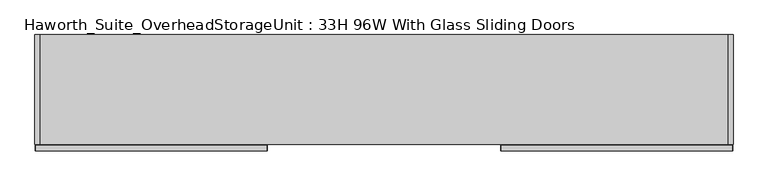
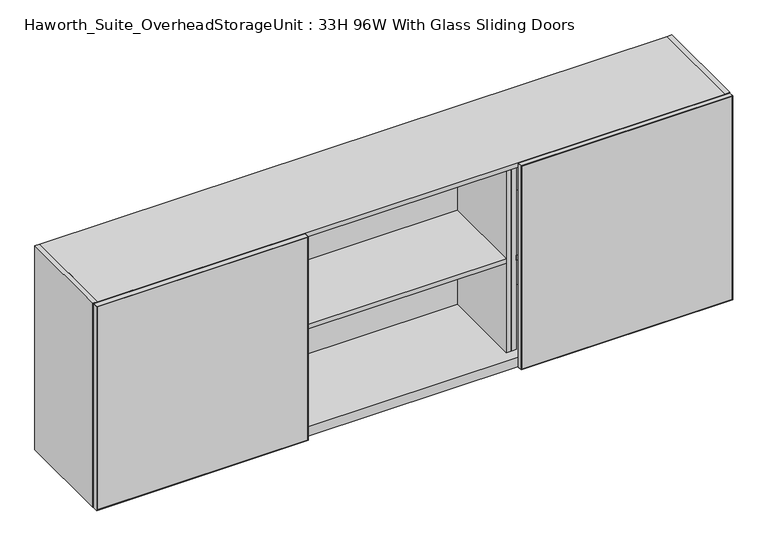
"""IFC4 building model written with IfcOpenShell, lengths in millimetres: furniture geometry, Haworth_Suite_OverheadStorageUnit : 33H 96W With Glass Sliding Doors."""

import ifcopenshell
import ifcopenshell.guid

model = None  # the IFC model being written
_history = None  # IfcOwnerHistory: only IFC2X3 demands one
_inside = {}  # id of a spatial element -> (the spatial element, [elements in it])
_under = {}  # id of a project, library or spatial element -> (it, [spatial elements below it])
_declared = {}  # id of a project -> (the project, [libraries it declares])
_typed = {}  # id of a type object -> (the type object, [elements of that type])
_made_of = {}  # id of a material, layer set ... -> (it, [elements and type objects made of it])


def new_model(schema):
    """Start an empty IFC model of exactly this schema.

    Asked for "IFC4X3", IfcOpenShell would pick the latest addendum, in which some entities
    have other attributes; the version numbers below select the first issue.
    IFC2X3 requires an IfcOwnerHistory on every rooted entity: one is made here for all.
    """
    global model, _history
    if schema == "IFC4X3":
        model = ifcopenshell.file(schema_version=(4, 3, 0, 0))
    else:
        model = ifcopenshell.file(schema=schema)
    _inside.clear()
    _under.clear()
    _declared.clear()
    _typed.clear()
    _made_of.clear()
    _history = None
    if model.schema == "IFC2X3":
        org = make("IfcOrganization", Name="unknown")
        user = make(
            "IfcPersonAndOrganization",
            ThePerson=make("IfcPerson", FamilyName="unknown"),
            TheOrganization=org,
        )
        app = make(
            "IfcApplication",
            ApplicationDeveloper=org,
            Version="unknown",
            ApplicationFullName="unknown",
            ApplicationIdentifier="unknown",
        )
        _history = make(
            "IfcOwnerHistory",
            OwningUser=user,
            OwningApplication=app,
            ChangeAction="ADDED",
            CreationDate=0,
        )
    return model


def make(cls, **values):
    """One entity of the class cls with the attributes given. An attribute that is None is left unset."""
    return model.create_entity(
        cls, **{name: value for name, value in values.items() if value is not None}
    )


def rooted(cls, **values):
    """An entity with a GlobalId (a new one), such as an element, a storey or a relation."""
    return make(cls, GlobalId=ifcopenshell.guid.new(), OwnerHistory=_history, **values)


def si_unit(unit_type, name, prefix=None):
    """IfcSIUnit, for example si_unit("LENGTHUNIT", "METRE", prefix="MILLI")."""
    return make("IfcSIUnit", UnitType=unit_type, Prefix=prefix, Name=name)


def assignment(units):
    """IfcUnitAssignment: the units of a project."""
    return None if units is None else make("IfcUnitAssignment", Units=units)


def point(xyz):
    """IfcCartesianPoint."""
    return None if xyz is None else make("IfcCartesianPoint", Coordinates=xyz)


def direction(xyz):
    """IfcDirection."""
    return None if xyz is None else make("IfcDirection", DirectionRatios=xyz)


def frame(location, z_axis=None, x_axis=None):
    """IfcAxis2Placement3D, a coordinate frame: its origin and axes. An axis left out is left unset."""
    return make(
        "IfcAxis2Placement3D",
        Location=point(location),
        Axis=direction(z_axis),
        RefDirection=direction(x_axis),
    )


def origin():
    """The frame at (0, 0, 0) with its axes left unset."""
    return frame((0.0, 0.0, 0.0))


def place(relative_to, where):
    """IfcLocalPlacement: puts the frame where relative to a parent placement (None: the world)."""
    return make(
        "IfcLocalPlacement", PlacementRelTo=relative_to, RelativePlacement=where
    )


def context(
    kind, dimensions, precision=None, world=None, true_north=None, identifier=None
):
    """IfcGeometricRepresentationContext, for example the 3D "Model" context."""
    return make(
        "IfcGeometricRepresentationContext",
        ContextIdentifier=identifier,
        ContextType=kind,
        CoordinateSpaceDimension=dimensions,
        Precision=precision,
        WorldCoordinateSystem=world,
        TrueNorth=true_north,
    )


def project(units=None, contexts=None):
    """IfcProject with its units and contexts."""
    return rooted(
        "IfcProject",
        Name="project",
        RepresentationContexts=contexts,
        UnitsInContext=assignment(units),
    )


def spatial(cls, under=None, at=None, **own):
    """A site, building, storey or space (cls), placed at a placement, below another one or the project."""
    s = rooted(cls, ObjectPlacement=at, **own)
    if under is not None:
        _under.setdefault(under.id(), (under, []))[1].append(s)
    return s


def polyline(points):
    """IfcPolyline through the points."""
    return make("IfcPolyline", Points=[point(p) for p in points])


def outline(outer, holes=None, kind="AREA"):
    """IfcArbitraryClosedProfileDef: a profile drawn as a closed curve; with holes, ...WithVoids."""
    if holes is None:
        return make("IfcArbitraryClosedProfileDef", ProfileType=kind, OuterCurve=outer)
    return make(
        "IfcArbitraryProfileDefWithVoids",
        ProfileType=kind,
        OuterCurve=outer,
        InnerCurves=holes,
    )


def extrude(swept, where, along, depth):
    """IfcExtrudedAreaSolid: the profile swept, set in the frame where, extruded along a direction by depth."""
    return make(
        "IfcExtrudedAreaSolid",
        SweptArea=swept,
        Position=where,
        ExtrudedDirection=direction(along),
        Depth=depth,
    )


def shape(context_of_items, identifier, shape_type, items):
    """IfcShapeRepresentation: the items that make up one representation, for example the "Body"."""
    return make(
        "IfcShapeRepresentation",
        ContextOfItems=context_of_items,
        RepresentationIdentifier=identifier,
        RepresentationType=shape_type,
        Items=items,
    )


def source(mapping_origin, context_of_items, identifier, shape_type, items):
    """IfcRepresentationMap: a shape defined once, which mapped items show again and again."""
    return make(
        "IfcRepresentationMap",
        MappingOrigin=mapping_origin,
        MappedRepresentation=shape(context_of_items, identifier, shape_type, items),
    )


def transform(
    local_origin,
    x_axis=None,
    y_axis=None,
    z_axis=None,
    scale=None,
    scale2=None,
    scale3=None,
    uniform=True,
):
    """IfcCartesianTransformationOperator3D, or its non-uniform kind. x_axis, y_axis, z_axis: its Axis1, 2, 3."""
    if uniform:
        return make(
            "IfcCartesianTransformationOperator3D",
            Axis1=direction(x_axis),
            Axis2=direction(y_axis),
            LocalOrigin=point(local_origin),
            Scale=scale,
            Axis3=direction(z_axis),
        )
    return make(
        "IfcCartesianTransformationOperator3DnonUniform",
        Axis1=direction(x_axis),
        Axis2=direction(y_axis),
        LocalOrigin=point(local_origin),
        Scale=scale,
        Axis3=direction(z_axis),
        Scale2=scale2,
        Scale3=scale3,
    )


def mapped(mapping_source, mapping_target):
    """IfcMappedItem: shows the shape of a source again, moved by a transform."""
    return make(
        "IfcMappedItem", MappingSource=mapping_source, MappingTarget=mapping_target
    )


def made_of(thing, what):
    """Note that an element or type object is made of a material, layer set ...; save() writes the relation."""
    if what is not None:
        _made_of.setdefault(what.id(), (what, []))[1].append(thing)
    return thing


def element(
    cls,
    number,
    at=None,
    inside=None,
    cuts=None,
    type_object=None,
    material=None,
    context=None,
    identifier="Body",
    shape_type=None,
    held_by="IfcProductDefinitionShape",
    body=None,
    shapes=None,
    **own,
):
    """One element of the class cls, such as IfcWall. Its Tag is "e" and its number.

    at: its placement. inside: the storey or other place that contains it. cuts: it is an
    opening in that element (IfcRelVoidsElement). A single representation is given by context,
    identifier, shape_type and body (its items); several are given by shapes. held_by: the class
    of the entity that holds the representations. save() writes the other relations.
    """
    e = rooted(cls, Tag="e%d" % number, ObjectPlacement=at, **own)
    if body is not None:
        shapes = [shape(context, identifier, shape_type, body)]
    if shapes is not None:
        e.Representation = make(held_by, Representations=shapes)
    if inside is not None:
        _inside.setdefault(inside.id(), (inside, []))[1].append(e)
    if cuts is not None:
        rooted(
            "IfcRelVoidsElement", RelatingBuildingElement=cuts, RelatedOpeningElement=e
        )
    if type_object is not None:
        _typed.setdefault(type_object.id(), (type_object, []))[1].append(e)
    return made_of(e, material)


def aggregate(whole, parts):
    """IfcRelAggregates: a whole, such as a stair, and the parts it consists of."""
    return rooted("IfcRelAggregates", RelatingObject=whole, RelatedObjects=parts)


def save(model, path):
    """Write the relations noted so far, then the file.

    IfcRelAggregates (storeys below a building ...), IfcRelContainedInSpatialStructure (elements
    in a storey), IfcRelDefinesByType, IfcRelAssociatesMaterial and IfcRelDeclares: one each for
    every whole, place, type object, material and project.
    """
    for whole, parts in _under.values():
        aggregate(whole, parts)
    for where, things in _inside.values():
        rooted(
            "IfcRelContainedInSpatialStructure",
            RelatedElements=things,
            RelatingStructure=where,
        )
    for kind, things in _typed.values():
        rooted("IfcRelDefinesByType", RelatedObjects=things, RelatingType=kind)
    for what, things in _made_of.values():
        rooted("IfcRelAssociatesMaterial", RelatedObjects=things, RelatingMaterial=what)
    for by, libraries in _declared.values():
        rooted("IfcRelDeclares", RelatingContext=by, RelatedDefinitions=libraries)
    model.write(path)


def haworth_suite_overheadstorageunit_33h_96w_with_glass_sliding_a89728b1(model_context):
    return source(origin(), model_context, "Body", "SweptSolid", [
        extrude(outline(polyline([(2057.4, 395.2875), (1231.9, 395.2875), (1233.4875, 396.875), (2055.8125, 396.875), (2057.4, 395.2875)])), frame((0.0, -419.1, 0.0), z_axis=(0.0, 1.0, 0.0), x_axis=(0.0, 0.0, 1.0)), (0.0, 0.0, 1.0), 19.05),
        extrude(outline(polyline([(2057.4, 1204.9125), (2055.8125, 1203.325), (1233.4875, 1203.325), (1231.9, 1204.9125), (2057.4, 1204.9125)])), frame((0.0, -419.1, 0.0), z_axis=(0.0, 1.0, 0.0), x_axis=(0.0, 0.0, 1.0)), (0.0, 0.0, 1.0), 19.05),
        extrude(outline(polyline([(2055.8125, 396.875), (2055.8125, 1203.325), (2057.4, 1204.9125), (2057.4, 395.2875), (2055.8125, 396.875)])), frame((0.0, -419.1, 0.0), z_axis=(0.0, 1.0, 0.0), x_axis=(0.0, 0.0, 1.0)), (0.0, 0.0, 1.0), 19.05),
        extrude(outline(polyline([(1233.4875, 396.875), (1231.9, 395.2875), (1231.9, 1204.9125), (1233.4875, 1203.325), (1233.4875, 396.875)])), frame((0.0, -419.1, 0.0), z_axis=(0.0, 1.0, 0.0), x_axis=(0.0, 0.0, 1.0)), (0.0, 0.0, 1.0), 19.05),
        extrude(outline(polyline([(1203.325, -400.84375), (1203.325, -418.30625), (396.875, -418.30625), (396.875, -400.84375), (1203.325, -400.84375)])), frame((0.0, 0.0, 1233.4875), z_axis=(0.0, 0.0, 1.0), x_axis=(1.0, 0.0, 0.0)), (0.0, 0.0, 1.0), 822.325),
        extrude(outline(polyline([(2057.4, -420.6875), (2055.8125, -422.275), (1233.4875, -422.275), (1231.9, -420.6875), (2057.4, -420.6875)])), frame((0.0, -419.1, 0.0), z_axis=(0.0, 1.0, 0.0), x_axis=(0.0, 0.0, 1.0)), (0.0, 0.0, 1.0), 19.05),
        extrude(outline(polyline([(2057.4, -1230.3125), (1231.9, -1230.3125), (1233.4875, -1228.725), (2055.8125, -1228.725), (2057.4, -1230.3125)])), frame((0.0, -419.1, 0.0), z_axis=(0.0, 1.0, 0.0), x_axis=(0.0, 0.0, 1.0)), (0.0, 0.0, 1.0), 19.05),
        extrude(outline(polyline([(2055.8125, -422.275), (2057.4, -420.6875), (2057.4, -1230.3125), (2055.8125, -1228.725), (2055.8125, -422.275)])), frame((0.0, -419.1, 0.0), z_axis=(0.0, 1.0, 0.0), x_axis=(0.0, 0.0, 1.0)), (0.0, 0.0, 1.0), 19.05),
        extrude(outline(polyline([(1233.4875, -422.275), (1233.4875, -1228.725), (1231.9, -1230.3125), (1231.9, -420.6875), (1233.4875, -422.275)])), frame((0.0, -419.1, 0.0), z_axis=(0.0, 1.0, 0.0), x_axis=(0.0, 0.0, 1.0)), (0.0, 0.0, 1.0), 19.05),
        extrude(outline(polyline([(-1228.725, -400.84375), (-422.275, -400.84375), (-422.275, -418.30625), (-1228.725, -418.30625), (-1228.725, -400.84375)])), frame((0.0, 0.0, 1233.4875), z_axis=(0.0, 0.0, 1.0), x_axis=(1.0, 0.0, 0.0)), (0.0, 0.0, 1.0), 822.325),
        extrude(outline(polyline([(-438.15, -31.75), (-438.15, -355.6), (-1212.85, -355.6), (-1212.85, -31.75), (-438.15, -31.75)])), frame((0.0, 0.0, 1631.95), z_axis=(0.0, 0.0, 1.0), x_axis=(1.0, 0.0, 0.0)), (0.0, 0.0, 1.0), 19.05),
        extrude(outline(polyline([(374.65, -31.75), (374.65, -355.6), (-400.05, -355.6), (-400.05, -31.75), (374.65, -31.75)])), frame((0.0, 0.0, 1631.95), z_axis=(0.0, 0.0, 1.0), x_axis=(1.0, 0.0, 0.0)), (0.0, 0.0, 1.0), 19.05),
        extrude(outline(polyline([(1187.45, -31.75), (1187.45, -355.6), (412.75, -355.6), (412.75, -31.75), (1187.45, -31.75)])), frame((0.0, 0.0, 1631.95), z_axis=(0.0, 0.0, 1.0), x_axis=(1.0, 0.0, 0.0)), (0.0, 0.0, 1.0), 19.05),
        extrude(outline(polyline([(412.75, -31.75), (412.75, -355.6), (393.7, -355.6), (393.7, -31.75), (412.75, -31.75)])), frame((0.0, 0.0, 1270.0), z_axis=(0.0, 0.0, 1.0), x_axis=(1.0, 0.0, 0.0)), (0.0, 0.0, 1.0), 768.35),
        extrude(outline(polyline([(393.7, -31.75), (393.7, -355.6), (374.65, -355.6), (374.65, -31.75), (393.7, -31.75)])), frame((0.0, 0.0, 1270.0), z_axis=(0.0, 0.0, 1.0), x_axis=(1.0, 0.0, 0.0)), (0.0, 0.0, 1.0), 768.35),
        extrude(outline(polyline([(-400.05, -31.75), (-400.05, -355.6), (-419.1, -355.6), (-419.1, -31.75), (-400.05, -31.75)])), frame((0.0, 0.0, 1270.0), z_axis=(0.0, 0.0, 1.0), x_axis=(1.0, 0.0, 0.0)), (0.0, 0.0, 1.0), 768.35),
        extrude(outline(polyline([(-419.1, -31.75), (-419.1, -355.6), (-438.15, -355.6), (-438.15, -31.75), (-419.1, -31.75)])), frame((0.0, 0.0, 1270.0), z_axis=(0.0, 0.0, 1.0), x_axis=(1.0, 0.0, 0.0)), (0.0, 0.0, 1.0), 768.35),
        extrude(outline(polyline([(1187.45, -12.7), (1187.45, -396.875), (-1212.85, -396.875), (-1212.85, -12.7), (1187.45, -12.7)])), frame((0.0, 0.0, 2038.35), z_axis=(0.0, 0.0, 1.0), x_axis=(1.0, 0.0, 0.0)), (0.0, 0.0, 1.0), 19.05),
        extrude(outline(polyline([(1187.45, -12.7), (1187.45, -31.75), (-1212.85, -31.75), (-1212.85, -12.7), (1187.45, -12.7)])), frame((0.0, 0.0, 1231.9), z_axis=(0.0, 0.0, 1.0), x_axis=(1.0, 0.0, 0.0)), (0.0, 0.0, 1.0), 806.45),
        extrude(outline(polyline([(1187.45, -31.75), (1187.45, -396.875), (-1212.85, -396.875), (-1212.85, -31.75), (1187.45, -31.75)])), frame((0.0, 0.0, 1231.9), z_axis=(0.0, 0.0, 1.0), x_axis=(1.0, 0.0, 0.0)), (0.0, 0.0, 1.0), 38.1),
        extrude(outline(polyline([(-1212.85, -12.7), (-1212.85, -396.875), (-1231.9, -396.875), (-1231.9, -12.7), (-1212.85, -12.7)])), frame((0.0, 0.0, 1231.9), z_axis=(0.0, 0.0, 1.0), x_axis=(1.0, 0.0, 0.0)), (0.0, 0.0, 1.0), 825.5),
        extrude(outline(polyline([(1206.5, -396.875), (1187.45, -396.875), (1187.45, -12.7), (1206.5, -12.7), (1206.5, -396.875)])), frame((0.0, 0.0, 1231.9), z_axis=(0.0, 0.0, 1.0), x_axis=(1.0, 0.0, 0.0)), (0.0, 0.0, 1.0), 825.5),
    ])


if __name__ == "__main__":
    model = new_model("IFC4")
    model_context = context("Model", 3, world=origin())
    ifc_project = project(units=[si_unit("LENGTHUNIT", "METRE", prefix="MILLI")], contexts=[model_context])
    site = spatial("IfcSite", under=ifc_project)
    building = spatial("IfcBuilding", under=site)
    placement = place(None, origin())
    haworth_suite_overheadstorageunit_33h_96w_with_glass_sliding_shape = haworth_suite_overheadstorageunit_33h_96w_with_glass_sliding_a89728b1(model_context)
    element("IfcFurniture", 1, ObjectType="Haworth_Suite_OverheadStorageUnit : 33H 96W With Glass Sliding Doors", at=placement, inside=building, context=model_context, shape_type="MappedRepresentation", body=[
        mapped(haworth_suite_overheadstorageunit_33h_96w_with_glass_sliding_shape, transform((0.0, 0.0, 0.0), x_axis=(1.0, 0.0, 0.0), y_axis=(0.0, 1.0, 0.0), z_axis=(0.0, 0.0, 1.0))),
    ])
    save(model, "model.ifc")
